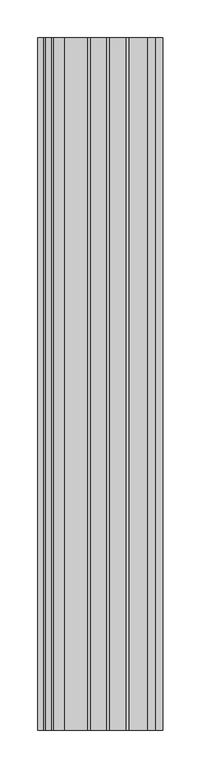
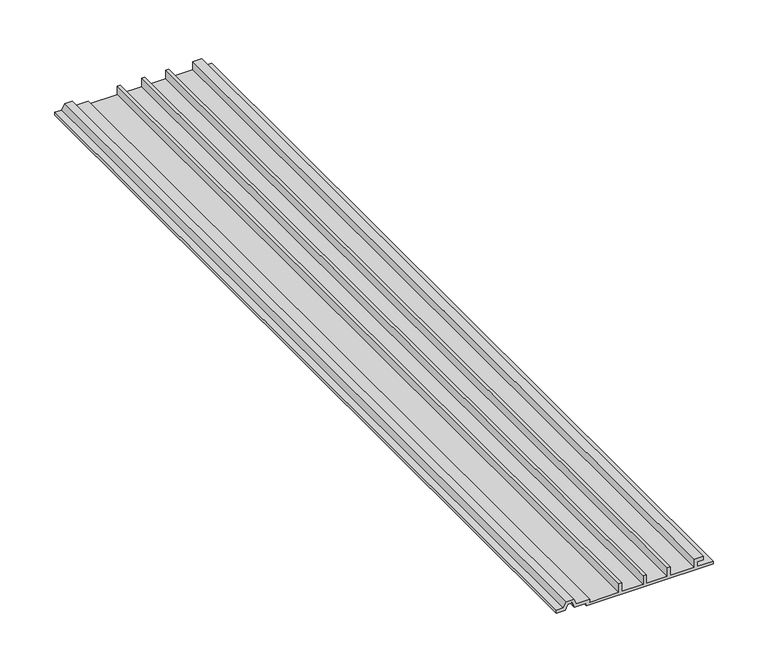
"""IFC4 building model written with IfcOpenShell, lengths in millimetres: proxy geometry."""

from ifc_helpers import new_model, si_unit, frame, origin, place, context, project, spatial, polyline, outline, extrude, source, transform, mapped, element, save


def generic_models_51edad28(model_context):
    return source(origin(), model_context, "Body", "SweptSolid", [
        extrude(outline(polyline([(2962.2819019, 37943.7570642), (2962.2819019, 37927.0883142), (2967.1948924, 37927.0883142), (2967.1948924, 37933.4383142), (2971.0923404, 37933.4383142), (2971.0923404, 37923.9133142), (2962.2819019, 37923.9133142), (2962.2819019, 37898.5133142), (2971.8069019, 37898.5133142), (2971.8069019, 37895.3383142), (2962.2819019, 37895.3383142), (2962.2819019, 37873.1133142), (2971.8069019, 37873.1133142), (2971.8069019, 37869.9383142), (2962.2819019, 37869.9383142), (2962.2819019, 37847.7133142), (2971.8069019, 37847.7133142), (2971.8069019, 37844.5383142), (2962.2819019, 37844.5383142), (2962.2819019, 37813.5820642), (2965.4569019, 37813.5820642), (2965.4569019, 37799.7297622), (2971.4958925, 37796.9137347), (2971.4958925, 37788.9753937), (2965.4569019, 37786.1593661), (2965.4569019, 37778.6570642), (2962.2819019, 37778.6570642), (2962.2819019, 37788.1820642), (2967.7055244, 37790.7111409), (2967.7055244, 37795.1779874), (2962.2819019, 37797.7070642), (2962.2819019, 37810.4070642), (2959.1069019, 37810.4070642), (2959.1069019, 37943.7570642), (2962.2819019, 37943.7570642)])), frame((0.0, -19576.8264268, 0.0), z_axis=(0.0, 1.0, 0.0), x_axis=(0.0, 0.0, 1.0)), (0.0, 0.0, 1.0), 914.4),
    ])


if __name__ == "__main__":
    model = new_model("IFC4")
    model_context = context("Model", 3, world=origin())
    ifc_project = project(units=[si_unit("LENGTHUNIT", "METRE", prefix="MILLI")], contexts=[model_context])
    site = spatial("IfcSite", under=ifc_project)
    building = spatial("IfcBuilding", under=site)
    placement = place(None, origin())
    generic_models_shape = generic_models_51edad28(model_context)
    element("IfcBuildingElementProxy", 1, Name="Generic Models", at=placement, inside=building, context=model_context, shape_type="MappedRepresentation", body=[
        mapped(generic_models_shape, transform((0.0, 0.0, 0.0), x_axis=(1.0, 0.0, 0.0), y_axis=(0.0, 1.0, 0.0), z_axis=(0.0, 0.0, 1.0))),
    ])
    save(model, "model.ifc")
